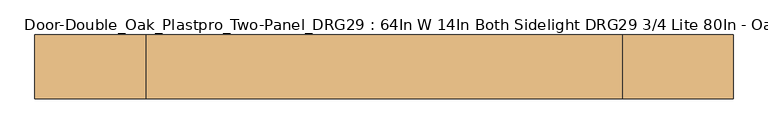
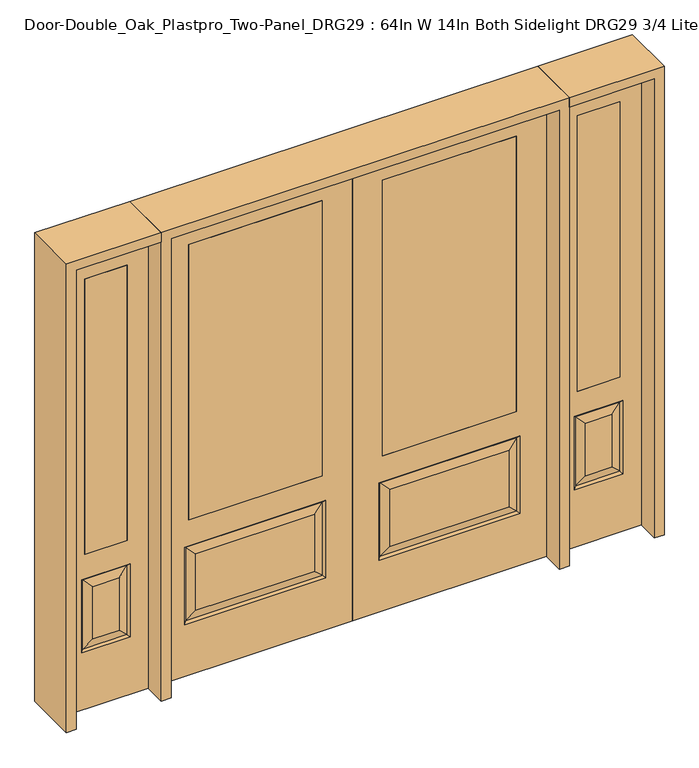
"""IFC4 building model written with IfcOpenShell, lengths in millimetres: door geometry, Door-Double_Oak_Plastpro_Two-Panel_DRG29 : 64In W 14In Both Sidelight DRG29 3/4 Lite 80In - Oak."""

from ifc_helpers import new_model, si_unit, frame, origin, place, context, project, spatial, polyline, outline, extrude, faceted_brep, source, transform, mapped, element, save


def door_double_oak_plastpro_two_panel_drg29_64in_w_14in_both_d0639286(model_context):
    return source(origin(), model_context, "Body", "SolidModel", [
        extrude(outline(polyline([(685.8, -20.6375), (127.0, -20.6375), (127.0, 20.6375), (685.8, 20.6375), (685.8, -20.6375)])), frame((0.0, 0.0, 685.8), z_axis=(0.0, 0.0, 1.0), x_axis=(1.0, 0.0, 0.0)), (0.0, 0.0, 1.0), 1219.2),
        faceted_brep([(655.5224548, -20.6375, 274.7525452), (655.5224548, -20.6375, 525.3474548), (157.2775452, -20.6375, 525.3474548), (157.2775452, -20.6375, 274.7525452), (0.0, -20.6375, 2032.0), (0.0, -20.6375, 0.0), (812.8, -20.6375, 0.0), (812.8, -20.6375, 2032.0), (111.2400452, -20.6375, 228.7150452), (111.2400452, -20.6375, 571.3849548), (701.5599548, -20.6375, 571.3849548), (701.5599548, -20.6375, 228.7150452), (685.8, -20.6375, 1905.0), (685.8, -20.6375, 685.8), (127.0, -20.6375, 685.8), (127.0, -20.6375, 1905.0), (685.8, 20.6375, 1905.0), (685.8, 20.6375, 685.8), (127.0, 20.6375, 685.8), (157.2775452, 20.6375, 274.7525452), (157.2775452, 20.6375, 525.3474548), (655.5224548, 20.6375, 525.3474548), (655.5224548, 20.6375, 274.7525452), (812.8, 20.6375, 2032.0), (812.8, 20.6375, 0.0), (0.0, 20.6375, 0.0), (0.0, 20.6375, 2032.0), (701.5599548, 20.6375, 228.7150452), (701.5599548, 20.6375, 571.3849548), (111.2400452, 20.6375, 571.3849548), (111.2400452, 20.6375, 228.7150452), (127.0, 20.6375, 1905.0), (120.2203014, -11.6572439, 237.6953014), (692.5796986, -11.6572439, 237.6953014), (692.5796986, -11.6572439, 562.4046986), (120.2203014, -11.6572439, 562.4046986), (120.2203014, 11.6572439, 237.6953014), (692.5796986, 11.6572439, 237.6953014), (692.5796986, 11.6572439, 562.4046986), (120.2203014, 11.6572439, 562.4046986)], [[[0, 1, 2, 3]], [[4, 5, 6, 7], [8, 9, 10, 11], [12, 13, 14, 15]], [[16, 17, 13, 12]], [[17, 18, 14, 13]], [[19, 20, 21, 22]], [[23, 24, 25, 26], [27, 28, 29, 30], [31, 18, 17, 16]], [[15, 14, 18, 31]], [[6, 5, 25, 24]], [[7, 6, 24, 23]], [[26, 25, 5, 4]], [[32, 8, 11, 33]], [[11, 10, 34, 33]], [[10, 9, 35, 34]], [[32, 35, 9, 8]], [[33, 0, 3, 32]], [[3, 2, 35, 32]], [[34, 35, 2, 1]], [[33, 34, 1, 0]], [[36, 19, 22, 37]], [[22, 21, 38, 37]], [[21, 20, 39, 38]], [[36, 39, 20, 19]], [[37, 27, 30, 36]], [[30, 29, 39, 36]], [[38, 39, 29, 28]], [[37, 38, 28, 27]], [[12, 15, 31, 16]], [[7, 23, 26, 4]]]),
        extrude(outline(polyline([(-685.8, -20.6375), (-685.8, 20.6375), (-127.0, 20.6375), (-127.0, -20.6375), (-685.8, -20.6375)])), frame((0.0, 0.0, 685.8), z_axis=(0.0, 0.0, 1.0), x_axis=(1.0, 0.0, 0.0)), (0.0, 0.0, 1.0), 1219.2),
        faceted_brep([(-655.5224548, -20.6375, 274.7525452), (-157.2775452, -20.6375, 274.7525452), (-157.2775452, -20.6375, 525.3474548), (-655.5224548, -20.6375, 525.3474548), (0.0, -20.6375, 2032.0), (-812.8, -20.6375, 2032.0), (-812.8, -20.6375, 0.0), (0.0, -20.6375, 0.0), (-111.2400452, -20.6375, 228.7150452), (-701.5599548, -20.6375, 228.7150452), (-701.5599548, -20.6375, 571.3849548), (-111.2400452, -20.6375, 571.3849548), (-685.8, -20.6375, 1905.0), (-127.0, -20.6375, 1905.0), (-127.0, -20.6375, 685.8), (-685.8, -20.6375, 685.8), (-685.8, 20.6375, 1905.0), (-685.8, 20.6375, 685.8), (-127.0, 20.6375, 685.8), (-157.2775452, 20.6375, 274.7525452), (-655.5224548, 20.6375, 274.7525452), (-655.5224548, 20.6375, 525.3474548), (-157.2775452, 20.6375, 525.3474548), (-812.8, 20.6375, 2032.0), (0.0, 20.6375, 2032.0), (0.0, 20.6375, 0.0), (-812.8, 20.6375, 0.0), (-701.5599548, 20.6375, 228.7150452), (-111.2400452, 20.6375, 228.7150452), (-111.2400452, 20.6375, 571.3849548), (-701.5599548, 20.6375, 571.3849548), (-127.0, 20.6375, 1905.0), (-120.2203014, -11.6572439, 237.6953014), (-692.5796986, -11.6572439, 237.6953014), (-692.5796986, -11.6572439, 562.4046986), (-120.2203014, -11.6572439, 562.4046986), (-120.2203014, 11.6572439, 237.6953014), (-692.5796986, 11.6572439, 237.6953014), (-692.5796986, 11.6572439, 562.4046986), (-120.2203014, 11.6572439, 562.4046986)], [[[0, 1, 2, 3]], [[4, 5, 6, 7], [8, 9, 10, 11], [12, 13, 14, 15]], [[16, 12, 15, 17]], [[17, 15, 14, 18]], [[19, 20, 21, 22]], [[23, 24, 25, 26], [27, 28, 29, 30], [31, 16, 17, 18]], [[13, 31, 18, 14]], [[6, 26, 25, 7]], [[5, 23, 26, 6]], [[24, 4, 7, 25]], [[32, 33, 9, 8]], [[9, 33, 34, 10]], [[10, 34, 35, 11]], [[32, 8, 11, 35]], [[33, 32, 1, 0]], [[1, 32, 35, 2]], [[34, 3, 2, 35]], [[33, 0, 3, 34]], [[36, 37, 20, 19]], [[20, 37, 38, 21]], [[21, 38, 39, 22]], [[36, 19, 22, 39]], [[37, 36, 28, 27]], [[28, 36, 39, 29]], [[38, 30, 29, 39]], [[37, 27, 30, 38]], [[12, 16, 31, 13]], [[5, 4, 24, 23]]]),
        extrude(outline(polyline([(1120.775, -20.6375), (942.975, -20.6375), (942.975, 20.6375), (1120.775, 20.6375), (1120.775, -20.6375)])), frame((0.0, 0.0, 685.8), z_axis=(0.0, 0.0, 1.0), x_axis=(1.0, 0.0, 0.0)), (0.0, 0.0, 1.0), 1219.2),
        faceted_brep([(1120.775, -20.6375, 1905.0), (942.975, -20.6375, 1905.0), (942.975, 20.6375, 1905.0), (1120.775, 20.6375, 1905.0), (1087.3224548, -20.6375, 531.6974548), (976.4275452, -20.6375, 531.6974548), (976.4275452, -20.6375, 300.1525452), (1087.3224548, -20.6375, 300.1525452), (854.075, -20.6375, 2032.0), (854.075, -20.6375, 0.0), (1209.675, -20.6375, 0.0), (1209.675, -20.6375, 2032.0), (1120.775, -20.6375, 685.8), (942.975, -20.6375, 685.8), (1133.3599548, -20.6375, 254.1150452), (930.3900452, -20.6375, 254.1150452), (930.3900452, -20.6375, 577.7349548), (1133.3599548, -20.6375, 577.7349548), (1124.3796986, 11.6572439, 568.7546986), (1133.3599548, 20.6375, 577.7349548), (1133.3599548, 20.6375, 254.1150452), (1124.3796986, 11.6572439, 263.0953014), (939.3703014, 11.6572439, 568.7546986), (930.3900452, 20.6375, 577.7349548), (1087.3224548, 20.6375, 300.1525452), (1087.3224548, 20.6375, 531.6974548), (1120.775, 20.6375, 685.8), (942.975, 20.6375, 685.8), (939.3703014, -11.6572439, 263.0953014), (1124.3796986, -11.6572439, 263.0953014), (939.3703014, -11.6572439, 568.7546986), (1124.3796986, -11.6572439, 568.7546986), (854.075, 20.6375, 2032.0), (1209.675, 20.6375, 2032.0), (854.075, 20.6375, 0.0), (1209.675, 20.6375, 0.0), (930.3900452, 20.6375, 254.1150452), (976.4275452, 20.6375, 300.1525452), (976.4275452, 20.6375, 531.6974548), (939.3703014, 11.6572439, 263.0953014)], [[[0, 1, 2, 3]], [[4, 5, 6, 7]], [[8, 9, 10, 11], [0, 12, 13, 1], [14, 15, 16, 17]], [[18, 19, 20, 21]], [[18, 22, 23, 19]], [[21, 24, 25, 18]], [[26, 27, 13, 12]], [[7, 6, 28, 29]], [[6, 5, 30, 28]], [[29, 14, 17, 31]], [[32, 8, 11, 33]], [[34, 35, 10, 9]], [[32, 34, 9, 8]], [[11, 10, 35, 33]], [[33, 35, 34, 32], [19, 23, 36, 20], [2, 27, 26, 3]], [[24, 37, 38, 25]], [[20, 36, 39, 21]], [[36, 23, 22, 39]], [[25, 38, 22, 18]], [[39, 22, 38, 37]], [[21, 39, 37, 24]], [[3, 26, 12, 0]], [[1, 13, 27, 2]], [[31, 4, 7, 29]], [[31, 30, 5, 4]], [[17, 16, 30, 31]], [[28, 30, 16, 15]], [[29, 28, 15, 14]]]),
        extrude(outline(polyline([(-1120.775, -20.6375), (-1120.775, 20.6375), (-942.975, 20.6375), (-942.975, -20.6375), (-1120.775, -20.6375)])), frame((0.0, 0.0, 685.8), z_axis=(0.0, 0.0, 1.0), x_axis=(1.0, 0.0, 0.0)), (0.0, 0.0, 1.0), 1219.2),
        faceted_brep([(-1120.775, -20.6375, 1905.0), (-1120.775, 20.6375, 1905.0), (-942.975, 20.6375, 1905.0), (-942.975, -20.6375, 1905.0), (-1087.3224548, -20.6375, 531.6974548), (-1087.3224548, -20.6375, 300.1525452), (-976.4275452, -20.6375, 300.1525452), (-976.4275452, -20.6375, 531.6974548), (-854.075, -20.6375, 2032.0), (-1209.675, -20.6375, 2032.0), (-1209.675, -20.6375, 0.0), (-854.075, -20.6375, 0.0), (-1133.3599548, -20.6375, 254.1150452), (-1133.3599548, -20.6375, 577.7349548), (-930.3900452, -20.6375, 577.7349548), (-930.3900452, -20.6375, 254.1150452), (-942.975, -20.6375, 685.8), (-1120.775, -20.6375, 685.8), (-1124.3796986, 11.6572439, 568.7546986), (-1124.3796986, 11.6572439, 263.0953014), (-1133.3599548, 20.6375, 254.1150452), (-1133.3599548, 20.6375, 577.7349548), (-930.3900452, 20.6375, 577.7349548), (-939.3703014, 11.6572439, 568.7546986), (-1087.3224548, 20.6375, 531.6974548), (-1087.3224548, 20.6375, 300.1525452), (-1120.775, 20.6375, 685.8), (-942.975, 20.6375, 685.8), (-1124.3796986, -11.6572439, 263.0953014), (-939.3703014, -11.6572439, 263.0953014), (-939.3703014, -11.6572439, 568.7546986), (-1124.3796986, -11.6572439, 568.7546986), (-854.075, 20.6375, 2032.0), (-1209.675, 20.6375, 2032.0), (-854.075, 20.6375, 0.0), (-1209.675, 20.6375, 0.0), (-930.3900452, 20.6375, 254.1150452), (-976.4275452, 20.6375, 531.6974548), (-976.4275452, 20.6375, 300.1525452), (-939.3703014, 11.6572439, 263.0953014)], [[[0, 1, 2, 3]], [[4, 5, 6, 7]], [[8, 9, 10, 11], [12, 13, 14, 15], [0, 3, 16, 17]], [[18, 19, 20, 21]], [[18, 21, 22, 23]], [[19, 18, 24, 25]], [[26, 17, 16, 27]], [[5, 28, 29, 6]], [[6, 29, 30, 7]], [[28, 31, 13, 12]], [[32, 33, 9, 8]], [[34, 11, 10, 35]], [[32, 8, 11, 34]], [[9, 33, 35, 10]], [[33, 32, 34, 35], [21, 20, 36, 22], [2, 1, 26, 27]], [[25, 24, 37, 38]], [[20, 19, 39, 36]], [[36, 39, 23, 22]], [[24, 18, 23, 37]], [[39, 38, 37, 23]], [[19, 25, 38, 39]], [[1, 0, 17, 26]], [[3, 2, 27, 16]], [[31, 28, 5, 4]], [[31, 4, 7, 30]], [[13, 31, 30, 14]], [[29, 15, 14, 30]], [[28, 12, 15, 29]]]),
        extrude(outline(polyline([(2032.0, -854.075), (2073.275, -854.075), (2073.275, -1250.95), (0.0, -1250.95), (0.0, -1209.675), (2032.0, -1209.675), (2032.0, -854.075)])), frame((0.0, -114.3, 0.0), z_axis=(0.0, 1.0, 0.0), x_axis=(0.0, 0.0, 1.0)), (0.0, 0.0, 1.0), 228.6),
        extrude(outline(polyline([(2073.275, -854.075), (0.0, -854.075), (0.0, -812.8), (2032.0, -812.8), (2032.0, 812.8), (0.0, 812.8), (0.0, 854.075), (2073.275, 854.075), (2073.275, -854.075)])), frame((0.0, -114.3, 0.0), z_axis=(0.0, 1.0, 0.0), x_axis=(0.0, 0.0, 1.0)), (0.0, 0.0, 1.0), 228.6),
        extrude(outline(polyline([(0.0, 1209.675), (0.0, 1250.95), (2073.275, 1250.95), (2073.275, 854.075), (2032.0, 854.075), (2032.0, 1209.675), (0.0, 1209.675)])), frame((0.0, -114.3, 0.0), z_axis=(0.0, 1.0, 0.0), x_axis=(0.0, 0.0, 1.0)), (0.0, 0.0, 1.0), 228.6),
    ])


if __name__ == "__main__":
    model = new_model("IFC4")
    model_context = context("Model", 3, world=origin())
    ifc_project = project(units=[si_unit("LENGTHUNIT", "METRE", prefix="MILLI")], contexts=[model_context])
    site = spatial("IfcSite", under=ifc_project)
    building = spatial("IfcBuilding", under=site)
    placement = place(None, origin())
    door_double_oak_plastpro_two_panel_drg29_64in_w_14in_both_shape = door_double_oak_plastpro_two_panel_drg29_64in_w_14in_both_d0639286(model_context)
    element("IfcDoor", 1, ObjectType="Door-Double_Oak_Plastpro_Two-Panel_DRG29 : 64In W 14In Both Sidelight DRG29 3/4 Lite 80In - Oak", at=placement, inside=building, context=model_context, shape_type="MappedRepresentation", body=[
        mapped(door_double_oak_plastpro_two_panel_drg29_64in_w_14in_both_shape, transform((0.0, 0.0, 0.0), x_axis=(1.0, 0.0, 0.0), y_axis=(0.0, 1.0, 0.0), z_axis=(0.0, 0.0, 1.0))),
    ])
    save(model, "model.ifc")
